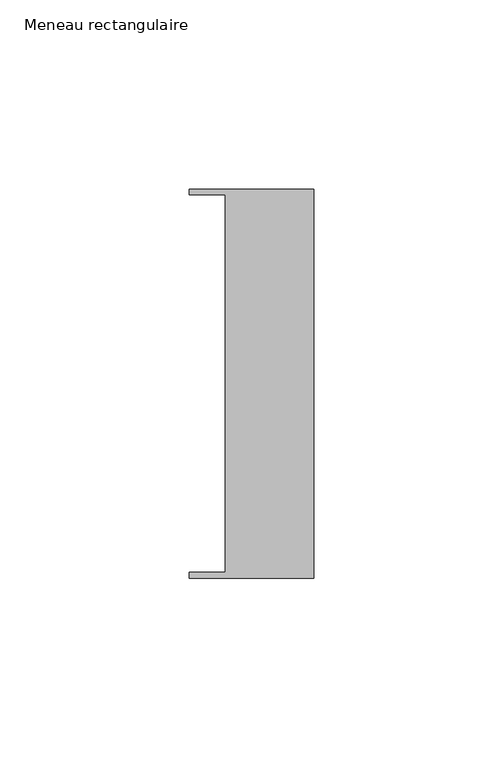
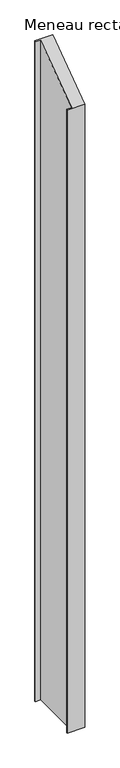
"""IFC4 building model written with IfcOpenShell, lengths in millimetres: member geometry, Meneau rectangulaire."""

import ifcopenshell
import ifcopenshell.guid

model = None  # the IFC model being written
_history = None  # IfcOwnerHistory: only IFC2X3 demands one
_inside = {}  # id of a spatial element -> (the spatial element, [elements in it])
_under = {}  # id of a project, library or spatial element -> (it, [spatial elements below it])
_declared = {}  # id of a project -> (the project, [libraries it declares])
_typed = {}  # id of a type object -> (the type object, [elements of that type])
_made_of = {}  # id of a material, layer set ... -> (it, [elements and type objects made of it])


def new_model(schema):
    """Start an empty IFC model of exactly this schema.

    Asked for "IFC4X3", IfcOpenShell would pick the latest addendum, in which some entities
    have other attributes; the version numbers below select the first issue.
    IFC2X3 requires an IfcOwnerHistory on every rooted entity: one is made here for all.
    """
    global model, _history
    if schema == "IFC4X3":
        model = ifcopenshell.file(schema_version=(4, 3, 0, 0))
    else:
        model = ifcopenshell.file(schema=schema)
    _inside.clear()
    _under.clear()
    _declared.clear()
    _typed.clear()
    _made_of.clear()
    _history = None
    if model.schema == "IFC2X3":
        org = make("IfcOrganization", Name="unknown")
        user = make(
            "IfcPersonAndOrganization",
            ThePerson=make("IfcPerson", FamilyName="unknown"),
            TheOrganization=org,
        )
        app = make(
            "IfcApplication",
            ApplicationDeveloper=org,
            Version="unknown",
            ApplicationFullName="unknown",
            ApplicationIdentifier="unknown",
        )
        _history = make(
            "IfcOwnerHistory",
            OwningUser=user,
            OwningApplication=app,
            ChangeAction="ADDED",
            CreationDate=0,
        )
    return model


def make(cls, **values):
    """One entity of the class cls with the attributes given. An attribute that is None is left unset."""
    return model.create_entity(
        cls, **{name: value for name, value in values.items() if value is not None}
    )


def rooted(cls, **values):
    """An entity with a GlobalId (a new one), such as an element, a storey or a relation."""
    return make(cls, GlobalId=ifcopenshell.guid.new(), OwnerHistory=_history, **values)


def si_unit(unit_type, name, prefix=None):
    """IfcSIUnit, for example si_unit("LENGTHUNIT", "METRE", prefix="MILLI")."""
    return make("IfcSIUnit", UnitType=unit_type, Prefix=prefix, Name=name)


def assignment(units):
    """IfcUnitAssignment: the units of a project."""
    return None if units is None else make("IfcUnitAssignment", Units=units)


def point(xyz):
    """IfcCartesianPoint."""
    return None if xyz is None else make("IfcCartesianPoint", Coordinates=xyz)


def direction(xyz):
    """IfcDirection."""
    return None if xyz is None else make("IfcDirection", DirectionRatios=xyz)


def frame(location, z_axis=None, x_axis=None):
    """IfcAxis2Placement3D, a coordinate frame: its origin and axes. An axis left out is left unset."""
    return make(
        "IfcAxis2Placement3D",
        Location=point(location),
        Axis=direction(z_axis),
        RefDirection=direction(x_axis),
    )


def origin():
    """The frame at (0, 0, 0) with its axes left unset."""
    return frame((0.0, 0.0, 0.0))


def place(relative_to, where):
    """IfcLocalPlacement: puts the frame where relative to a parent placement (None: the world)."""
    return make(
        "IfcLocalPlacement", PlacementRelTo=relative_to, RelativePlacement=where
    )


def context(
    kind, dimensions, precision=None, world=None, true_north=None, identifier=None
):
    """IfcGeometricRepresentationContext, for example the 3D "Model" context."""
    return make(
        "IfcGeometricRepresentationContext",
        ContextIdentifier=identifier,
        ContextType=kind,
        CoordinateSpaceDimension=dimensions,
        Precision=precision,
        WorldCoordinateSystem=world,
        TrueNorth=true_north,
    )


def project(units=None, contexts=None):
    """IfcProject with its units and contexts."""
    return rooted(
        "IfcProject",
        Name="project",
        RepresentationContexts=contexts,
        UnitsInContext=assignment(units),
    )


def spatial(cls, under=None, at=None, **own):
    """A site, building, storey or space (cls), placed at a placement, below another one or the project."""
    s = rooted(cls, ObjectPlacement=at, **own)
    if under is not None:
        _under.setdefault(under.id(), (under, []))[1].append(s)
    return s


def faces_of(points, faces, orient=None, outer=None):
    """IfcFace entities. A face is a list of loops; a loop is a list of indices into points, from 0.

    orient and outer hold one flag for each loop. By default every Orientation is true, the
    first loop of a face is its IfcFaceOuterBound and the others are IfcFaceBound.
    """
    made = []
    for i, loops in enumerate(faces):
        bounds = []
        for j, loop in enumerate(loops):
            is_outer = j == 0 if outer is None else outer[i][j]
            bounds.append(
                make(
                    "IfcFaceOuterBound" if is_outer else "IfcFaceBound",
                    Bound=make("IfcPolyLoop", Polygon=[points[k] for k in loop]),
                    Orientation=True if orient is None else orient[i][j],
                )
            )
        made.append(make("IfcFace", Bounds=bounds))
    return made


def faceted_brep(points, faces, orient=None, outer=None, voids=None):
    """IfcFacetedBrep: a solid bounded by flat faces; with voids (closed shells), ...WithVoids."""
    shared = [point(p) for p in points]
    hull = make("IfcClosedShell", CfsFaces=faces_of(shared, faces, orient, outer))
    if voids is None:
        return make("IfcFacetedBrep", Outer=hull)
    return make(
        "IfcFacetedBrepWithVoids",
        Outer=hull,
        Voids=[
            make(cls, CfsFaces=faces_of(shared, fs, o, b)) for cls, fs, o, b in voids
        ],
    )


def shape(context_of_items, identifier, shape_type, items):
    """IfcShapeRepresentation: the items that make up one representation, for example the "Body"."""
    return make(
        "IfcShapeRepresentation",
        ContextOfItems=context_of_items,
        RepresentationIdentifier=identifier,
        RepresentationType=shape_type,
        Items=items,
    )


def source(mapping_origin, context_of_items, identifier, shape_type, items):
    """IfcRepresentationMap: a shape defined once, which mapped items show again and again."""
    return make(
        "IfcRepresentationMap",
        MappingOrigin=mapping_origin,
        MappedRepresentation=shape(context_of_items, identifier, shape_type, items),
    )


def transform(
    local_origin,
    x_axis=None,
    y_axis=None,
    z_axis=None,
    scale=None,
    scale2=None,
    scale3=None,
    uniform=True,
):
    """IfcCartesianTransformationOperator3D, or its non-uniform kind. x_axis, y_axis, z_axis: its Axis1, 2, 3."""
    if uniform:
        return make(
            "IfcCartesianTransformationOperator3D",
            Axis1=direction(x_axis),
            Axis2=direction(y_axis),
            LocalOrigin=point(local_origin),
            Scale=scale,
            Axis3=direction(z_axis),
        )
    return make(
        "IfcCartesianTransformationOperator3DnonUniform",
        Axis1=direction(x_axis),
        Axis2=direction(y_axis),
        LocalOrigin=point(local_origin),
        Scale=scale,
        Axis3=direction(z_axis),
        Scale2=scale2,
        Scale3=scale3,
    )


def mapped(mapping_source, mapping_target):
    """IfcMappedItem: shows the shape of a source again, moved by a transform."""
    return make(
        "IfcMappedItem", MappingSource=mapping_source, MappingTarget=mapping_target
    )


def made_of(thing, what):
    """Note that an element or type object is made of a material, layer set ...; save() writes the relation."""
    if what is not None:
        _made_of.setdefault(what.id(), (what, []))[1].append(thing)
    return thing


def element(
    cls,
    number,
    at=None,
    inside=None,
    cuts=None,
    type_object=None,
    material=None,
    context=None,
    identifier="Body",
    shape_type=None,
    held_by="IfcProductDefinitionShape",
    body=None,
    shapes=None,
    **own,
):
    """One element of the class cls, such as IfcWall. Its Tag is "e" and its number.

    at: its placement. inside: the storey or other place that contains it. cuts: it is an
    opening in that element (IfcRelVoidsElement). A single representation is given by context,
    identifier, shape_type and body (its items); several are given by shapes. held_by: the class
    of the entity that holds the representations. save() writes the other relations.
    """
    e = rooted(cls, Tag="e%d" % number, ObjectPlacement=at, **own)
    if body is not None:
        shapes = [shape(context, identifier, shape_type, body)]
    if shapes is not None:
        e.Representation = make(held_by, Representations=shapes)
    if inside is not None:
        _inside.setdefault(inside.id(), (inside, []))[1].append(e)
    if cuts is not None:
        rooted(
            "IfcRelVoidsElement", RelatingBuildingElement=cuts, RelatedOpeningElement=e
        )
    if type_object is not None:
        _typed.setdefault(type_object.id(), (type_object, []))[1].append(e)
    return made_of(e, material)


def aggregate(whole, parts):
    """IfcRelAggregates: a whole, such as a stair, and the parts it consists of."""
    return rooted("IfcRelAggregates", RelatingObject=whole, RelatedObjects=parts)


def save(model, path):
    """Write the relations noted so far, then the file.

    IfcRelAggregates (storeys below a building ...), IfcRelContainedInSpatialStructure (elements
    in a storey), IfcRelDefinesByType, IfcRelAssociatesMaterial and IfcRelDeclares: one each for
    every whole, place, type object, material and project.
    """
    for whole, parts in _under.values():
        aggregate(whole, parts)
    for where, things in _inside.values():
        rooted(
            "IfcRelContainedInSpatialStructure",
            RelatedElements=things,
            RelatingStructure=where,
        )
    for kind, things in _typed.values():
        rooted("IfcRelDefinesByType", RelatedObjects=things, RelatingType=kind)
    for what, things in _made_of.values():
        rooted("IfcRelAssociatesMaterial", RelatedObjects=things, RelatingMaterial=what)
    for by, libraries in _declared.values():
        rooted("IfcRelDeclares", RelatingContext=by, RelatedDefinitions=libraries)
    model.write(path)


def meneau_rectangulaire_f03c962a(model_context):
    return source(origin(), model_context, "Body", "Brep", [
        faceted_brep([(-33.0, 51.4622428, -1255.0000003), (0.0, 51.4622428, -1255.0000003), (0.0, -51.4712299, -1255.0000003), (-33.0, -51.4712299, -1255.0000003), (-33.0, -49.9505712, -1255.0000003), (-23.4, -49.9505712, -1255.0000003), (-23.4, 49.9614402, -1255.0000003), (-33.0, 49.9614402, -1255.0000003), (-23.4, -49.9505712, -35.6293962), (-23.4, 49.9614402, 35.637149), (0.0, -51.4712299, -36.7140715), (-33.0, -51.4712299, -36.7140715), (0.0, 51.4622428, 36.7076611), (-33.0, 51.4622428, 36.7076611), (-33.0, 49.9614402, 35.637149), (-33.0, -49.9505712, -35.6293962)], [[[0, 1, 2, 3, 4, 5, 6, 7]], [[8, 9, 6, 5]], [[10, 11, 3, 2]], [[12, 10, 2, 1]], [[13, 12, 1, 0]], [[14, 13, 0, 7]], [[9, 14, 7, 6]], [[15, 8, 5, 4]], [[11, 15, 4, 3]], [[13, 14, 9, 8, 15, 11, 10, 12]]]),
    ])


if __name__ == "__main__":
    model = new_model("IFC4")
    model_context = context("Model", 3, world=origin())
    ifc_project = project(units=[si_unit("LENGTHUNIT", "METRE", prefix="MILLI")], contexts=[model_context])
    site = spatial("IfcSite", under=ifc_project)
    building = spatial("IfcBuilding", under=site)
    placement = place(None, origin())
    meneau_rectangulaire_shape = meneau_rectangulaire_f03c962a(model_context)
    element("IfcMember", 1, ObjectType="Meneau rectangulaire", at=placement, inside=building, context=model_context, shape_type="MappedRepresentation", body=[
        mapped(meneau_rectangulaire_shape, transform((0.0, 0.0, 0.0), x_axis=(1.0, 0.0, 0.0), y_axis=(0.0, 1.0, 0.0), z_axis=(0.0, 0.0, 1.0))),
    ])
    save(model, "model.ifc")
